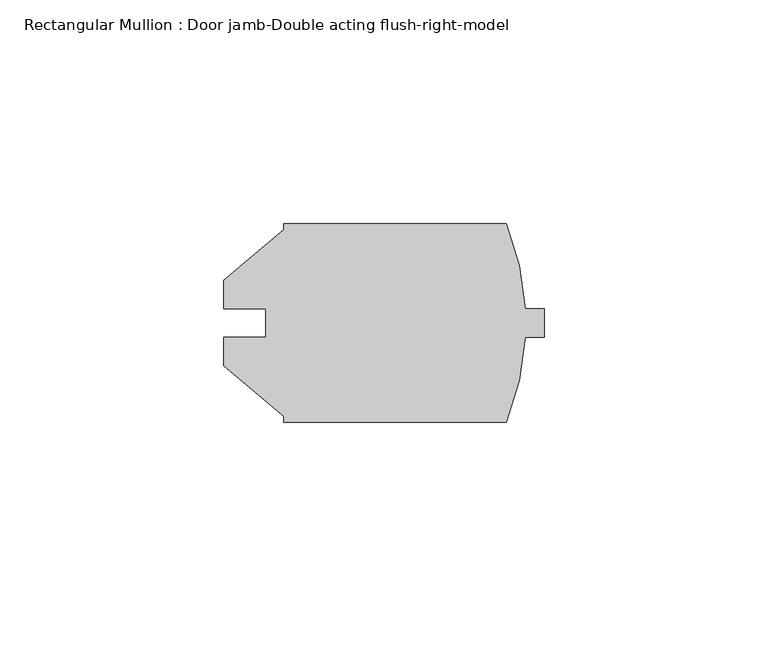
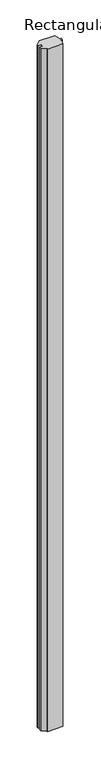
"""IFC4 building model written with IfcOpenShell, lengths in millimetres: member geometry, Rectangular Mullion : Door jamb-Double acting flush-right-model."""

from ifc_helpers import new_model, si_unit, point, frame, frame_2d, origin, place, context, project, spatial, polyline, circle_curve, trimmed, segment, composite_curve, outline, extrude, source, transform, mapped, element, save


def rectangular_mullion_door_jamb_double_acting_flush_right_b5fc00c4(model_context):
    return source(origin(), model_context, "Body", "SweptSolid", [
        extrude(outline(composite_curve([segment(polyline([(-58.2422, -28.575), (-8.5201959, -28.575)]), True, "CONTINUOUS"), segment(trimmed(circle_curve(frame_2d((-62.8769022, -50.8)), 58.7248), [point((-8.5201959, -28.575))], [point((-4.2379943, -47.6250013))], False, "CARTESIAN"), True, "CONTINUOUS"), segment(polyline([(-4.2379943, -47.6250013), (0.0, -47.6250013), (0.0, -53.9750013), (-4.2379944, -53.9750013)]), True, "CONTINUOUS"), segment(trimmed(circle_curve(frame_2d((-62.8769022, -50.8)), 58.7248), [point((-4.2379944, -53.9750013))], [point((-8.520196, -73.025))], False, "CARTESIAN"), True, "CONTINUOUS"), segment(polyline([(-8.520196, -73.025), (-58.2422, -73.025), (-58.2422, -71.6282933), (-71.7042, -60.332334), (-71.7042, -53.9620621), (-62.2808, -53.9620621), (-62.2808, -47.6379379), (-71.7042, -47.6379379), (-71.7042, -41.267666), (-58.2422, -29.9717067), (-58.2422, -28.575)]), True, "CONTINUOUS")], self_intersect=False)), frame((0.0, 0.0, -2286.0), z_axis=(0.0, 0.0, 1.0), x_axis=(1.0, 0.0, 0.0)), (0.0, 0.0, 1.0), 2286.0),
    ])


if __name__ == "__main__":
    model = new_model("IFC4")
    model_context = context("Model", 3, world=origin())
    ifc_project = project(units=[si_unit("LENGTHUNIT", "METRE", prefix="MILLI")], contexts=[model_context])
    site = spatial("IfcSite", under=ifc_project)
    building = spatial("IfcBuilding", under=site)
    placement = place(None, origin())
    rectangular_mullion_door_jamb_double_acting_flush_right_shape = rectangular_mullion_door_jamb_double_acting_flush_right_b5fc00c4(model_context)
    element("IfcMember", 1, ObjectType="Rectangular Mullion : Door jamb-Double acting flush-right-model", at=placement, inside=building, context=model_context, shape_type="MappedRepresentation", body=[
        mapped(rectangular_mullion_door_jamb_double_acting_flush_right_shape, transform((0.0, 0.0, 0.0), x_axis=(1.0, 0.0, 0.0), y_axis=(0.0, 1.0, 0.0), z_axis=(0.0, 0.0, 1.0))),
    ])
    save(model, "model.ifc")
